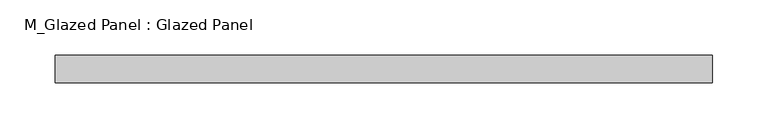
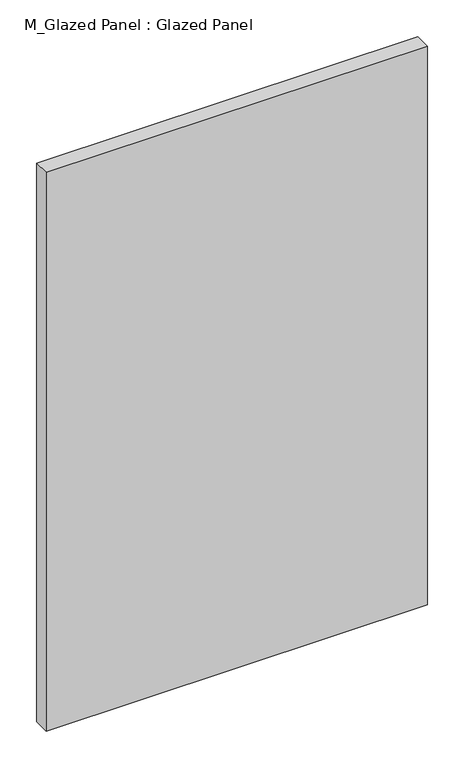
"""IFC4 building model written with IfcOpenShell, lengths in millimetres: plate geometry, M_Glazed Panel : Glazed Panel."""

from ifc_helpers import new_model, si_unit, origin, origin_with_axes, place, context, project, spatial, polyline, outline, extrude, source, transform, mapped, element, save


def m_glazed_panel_glazed_panel_674c5a47(model_context):
    return source(origin(), model_context, "Body", "SweptSolid", [
        extrude(outline(polyline([(298.6704866, 38.5), (-298.6704866, 38.5), (-298.6704866, 63.5), (298.6704866, 63.5), (298.6704866, 38.5)])), origin_with_axes(), (0.0, 0.0, 1.0), 925.0),
    ])


if __name__ == "__main__":
    model = new_model("IFC4")
    model_context = context("Model", 3, world=origin())
    ifc_project = project(units=[si_unit("LENGTHUNIT", "METRE", prefix="MILLI")], contexts=[model_context])
    site = spatial("IfcSite", under=ifc_project)
    building = spatial("IfcBuilding", under=site)
    placement = place(None, origin())
    m_glazed_panel_glazed_panel_shape = m_glazed_panel_glazed_panel_674c5a47(model_context)
    element("IfcPlate", 1, ObjectType="M_Glazed Panel : Glazed Panel", at=placement, inside=building, context=model_context, shape_type="MappedRepresentation", body=[
        mapped(m_glazed_panel_glazed_panel_shape, transform((0.0, 0.0, 0.0), x_axis=(1.0, 0.0, 0.0), y_axis=(0.0, 1.0, 0.0), z_axis=(0.0, 0.0, 1.0))),
    ])
    save(model, "model.ifc")
